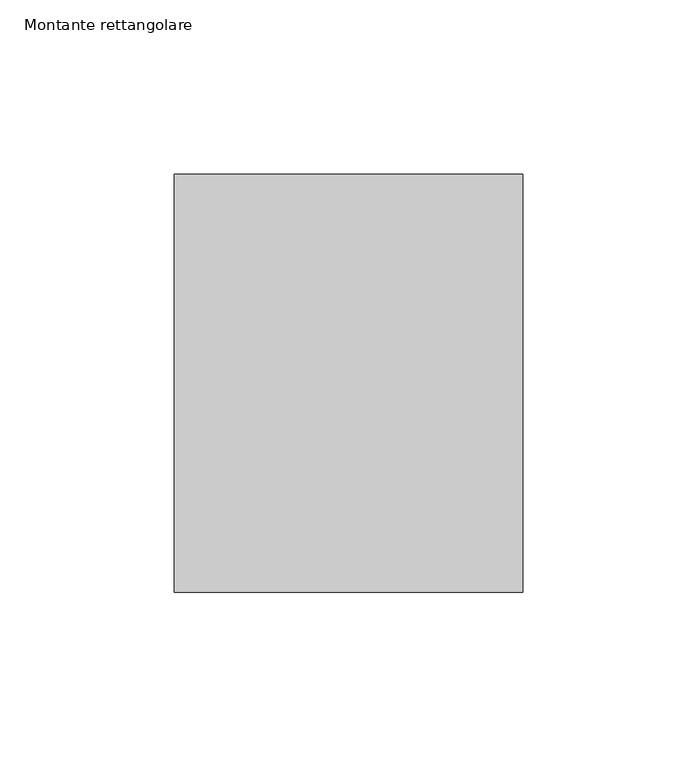
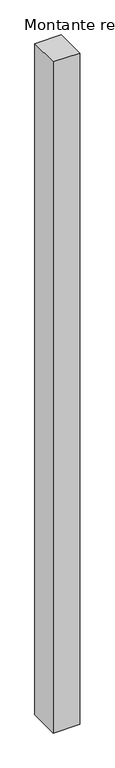
"""IFC4 building model written with IfcOpenShell, lengths in millimetres: member geometry, Montante rettangolare."""

from ifc_helpers import new_model, si_unit, frame, origin, place, context, project, spatial, polyline, outline, extrude, source, transform, mapped, element, save


def montante_rettangolare_91aba373(model_context):
    return source(origin(), model_context, "Body", "SweptSolid", [
        extrude(outline(polyline([(50.0, 60.0), (50.0, -60.0), (-50.0, -60.0), (-50.0, 60.0), (50.0, 60.0)])), frame((0.0, 0.0, -2672.4151236), z_axis=(0.0, 0.0, 1.0), x_axis=(1.0, 0.0, 0.0)), (0.0, 0.0, 1.0), 2672.4151236),
    ])


if __name__ == "__main__":
    model = new_model("IFC4")
    model_context = context("Model", 3, world=origin())
    ifc_project = project(units=[si_unit("LENGTHUNIT", "METRE", prefix="MILLI")], contexts=[model_context])
    site = spatial("IfcSite", under=ifc_project)
    building = spatial("IfcBuilding", under=site)
    placement = place(None, origin())
    montante_rettangolare_shape = montante_rettangolare_91aba373(model_context)
    element("IfcMember", 1, ObjectType="Montante rettangolare", at=placement, inside=building, context=model_context, shape_type="MappedRepresentation", body=[
        mapped(montante_rettangolare_shape, transform((0.0, 0.0, 0.0), x_axis=(1.0, 0.0, 0.0), y_axis=(0.0, 1.0, 0.0), z_axis=(0.0, 0.0, 1.0))),
    ])
    save(model, "model.ifc")
